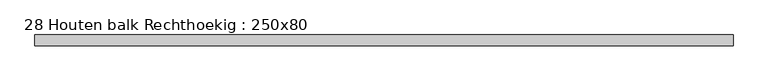
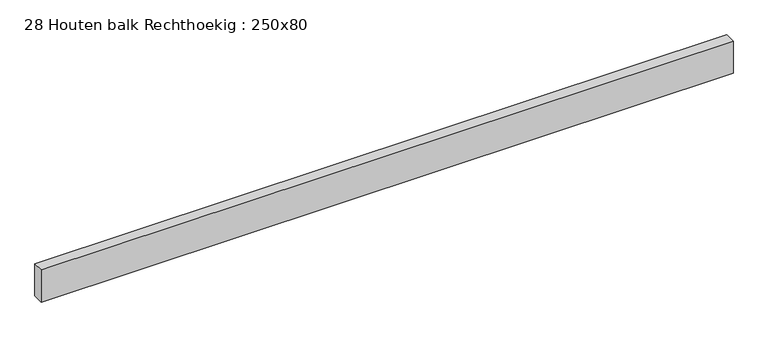
"""IFC4 building model written with IfcOpenShell, lengths in millimetres: beam geometry, 28 Houten balk Rechthoekig : 250x80."""

import ifcopenshell
import ifcopenshell.guid

model = None  # the IFC model being written
_history = None  # IfcOwnerHistory: only IFC2X3 demands one
_inside = {}  # id of a spatial element -> (the spatial element, [elements in it])
_under = {}  # id of a project, library or spatial element -> (it, [spatial elements below it])
_declared = {}  # id of a project -> (the project, [libraries it declares])
_typed = {}  # id of a type object -> (the type object, [elements of that type])
_made_of = {}  # id of a material, layer set ... -> (it, [elements and type objects made of it])


def new_model(schema):
    """Start an empty IFC model of exactly this schema.

    Asked for "IFC4X3", IfcOpenShell would pick the latest addendum, in which some entities
    have other attributes; the version numbers below select the first issue.
    IFC2X3 requires an IfcOwnerHistory on every rooted entity: one is made here for all.
    """
    global model, _history
    if schema == "IFC4X3":
        model = ifcopenshell.file(schema_version=(4, 3, 0, 0))
    else:
        model = ifcopenshell.file(schema=schema)
    _inside.clear()
    _under.clear()
    _declared.clear()
    _typed.clear()
    _made_of.clear()
    _history = None
    if model.schema == "IFC2X3":
        org = make("IfcOrganization", Name="unknown")
        user = make(
            "IfcPersonAndOrganization",
            ThePerson=make("IfcPerson", FamilyName="unknown"),
            TheOrganization=org,
        )
        app = make(
            "IfcApplication",
            ApplicationDeveloper=org,
            Version="unknown",
            ApplicationFullName="unknown",
            ApplicationIdentifier="unknown",
        )
        _history = make(
            "IfcOwnerHistory",
            OwningUser=user,
            OwningApplication=app,
            ChangeAction="ADDED",
            CreationDate=0,
        )
    return model


def make(cls, **values):
    """One entity of the class cls with the attributes given. An attribute that is None is left unset."""
    return model.create_entity(
        cls, **{name: value for name, value in values.items() if value is not None}
    )


def rooted(cls, **values):
    """An entity with a GlobalId (a new one), such as an element, a storey or a relation."""
    return make(cls, GlobalId=ifcopenshell.guid.new(), OwnerHistory=_history, **values)


def si_unit(unit_type, name, prefix=None):
    """IfcSIUnit, for example si_unit("LENGTHUNIT", "METRE", prefix="MILLI")."""
    return make("IfcSIUnit", UnitType=unit_type, Prefix=prefix, Name=name)


def assignment(units):
    """IfcUnitAssignment: the units of a project."""
    return None if units is None else make("IfcUnitAssignment", Units=units)


def point(xyz):
    """IfcCartesianPoint."""
    return None if xyz is None else make("IfcCartesianPoint", Coordinates=xyz)


def direction(xyz):
    """IfcDirection."""
    return None if xyz is None else make("IfcDirection", DirectionRatios=xyz)


def frame(location, z_axis=None, x_axis=None):
    """IfcAxis2Placement3D, a coordinate frame: its origin and axes. An axis left out is left unset."""
    return make(
        "IfcAxis2Placement3D",
        Location=point(location),
        Axis=direction(z_axis),
        RefDirection=direction(x_axis),
    )


def origin():
    """The frame at (0, 0, 0) with its axes left unset."""
    return frame((0.0, 0.0, 0.0))


def place(relative_to, where):
    """IfcLocalPlacement: puts the frame where relative to a parent placement (None: the world)."""
    return make(
        "IfcLocalPlacement", PlacementRelTo=relative_to, RelativePlacement=where
    )


def context(
    kind, dimensions, precision=None, world=None, true_north=None, identifier=None
):
    """IfcGeometricRepresentationContext, for example the 3D "Model" context."""
    return make(
        "IfcGeometricRepresentationContext",
        ContextIdentifier=identifier,
        ContextType=kind,
        CoordinateSpaceDimension=dimensions,
        Precision=precision,
        WorldCoordinateSystem=world,
        TrueNorth=true_north,
    )


def project(units=None, contexts=None):
    """IfcProject with its units and contexts."""
    return rooted(
        "IfcProject",
        Name="project",
        RepresentationContexts=contexts,
        UnitsInContext=assignment(units),
    )


def spatial(cls, under=None, at=None, **own):
    """A site, building, storey or space (cls), placed at a placement, below another one or the project."""
    s = rooted(cls, ObjectPlacement=at, **own)
    if under is not None:
        _under.setdefault(under.id(), (under, []))[1].append(s)
    return s


def polyline(points):
    """IfcPolyline through the points."""
    return make("IfcPolyline", Points=[point(p) for p in points])


def outline(outer, holes=None, kind="AREA"):
    """IfcArbitraryClosedProfileDef: a profile drawn as a closed curve; with holes, ...WithVoids."""
    if holes is None:
        return make("IfcArbitraryClosedProfileDef", ProfileType=kind, OuterCurve=outer)
    return make(
        "IfcArbitraryProfileDefWithVoids",
        ProfileType=kind,
        OuterCurve=outer,
        InnerCurves=holes,
    )


def extrude(swept, where, along, depth):
    """IfcExtrudedAreaSolid: the profile swept, set in the frame where, extruded along a direction by depth."""
    return make(
        "IfcExtrudedAreaSolid",
        SweptArea=swept,
        Position=where,
        ExtrudedDirection=direction(along),
        Depth=depth,
    )


def shape(context_of_items, identifier, shape_type, items):
    """IfcShapeRepresentation: the items that make up one representation, for example the "Body"."""
    return make(
        "IfcShapeRepresentation",
        ContextOfItems=context_of_items,
        RepresentationIdentifier=identifier,
        RepresentationType=shape_type,
        Items=items,
    )


def source(mapping_origin, context_of_items, identifier, shape_type, items):
    """IfcRepresentationMap: a shape defined once, which mapped items show again and again."""
    return make(
        "IfcRepresentationMap",
        MappingOrigin=mapping_origin,
        MappedRepresentation=shape(context_of_items, identifier, shape_type, items),
    )


def transform(
    local_origin,
    x_axis=None,
    y_axis=None,
    z_axis=None,
    scale=None,
    scale2=None,
    scale3=None,
    uniform=True,
):
    """IfcCartesianTransformationOperator3D, or its non-uniform kind. x_axis, y_axis, z_axis: its Axis1, 2, 3."""
    if uniform:
        return make(
            "IfcCartesianTransformationOperator3D",
            Axis1=direction(x_axis),
            Axis2=direction(y_axis),
            LocalOrigin=point(local_origin),
            Scale=scale,
            Axis3=direction(z_axis),
        )
    return make(
        "IfcCartesianTransformationOperator3DnonUniform",
        Axis1=direction(x_axis),
        Axis2=direction(y_axis),
        LocalOrigin=point(local_origin),
        Scale=scale,
        Axis3=direction(z_axis),
        Scale2=scale2,
        Scale3=scale3,
    )


def mapped(mapping_source, mapping_target):
    """IfcMappedItem: shows the shape of a source again, moved by a transform."""
    return make(
        "IfcMappedItem", MappingSource=mapping_source, MappingTarget=mapping_target
    )


def made_of(thing, what):
    """Note that an element or type object is made of a material, layer set ...; save() writes the relation."""
    if what is not None:
        _made_of.setdefault(what.id(), (what, []))[1].append(thing)
    return thing


def element(
    cls,
    number,
    at=None,
    inside=None,
    cuts=None,
    type_object=None,
    material=None,
    context=None,
    identifier="Body",
    shape_type=None,
    held_by="IfcProductDefinitionShape",
    body=None,
    shapes=None,
    **own,
):
    """One element of the class cls, such as IfcWall. Its Tag is "e" and its number.

    at: its placement. inside: the storey or other place that contains it. cuts: it is an
    opening in that element (IfcRelVoidsElement). A single representation is given by context,
    identifier, shape_type and body (its items); several are given by shapes. held_by: the class
    of the entity that holds the representations. save() writes the other relations.
    """
    e = rooted(cls, Tag="e%d" % number, ObjectPlacement=at, **own)
    if body is not None:
        shapes = [shape(context, identifier, shape_type, body)]
    if shapes is not None:
        e.Representation = make(held_by, Representations=shapes)
    if inside is not None:
        _inside.setdefault(inside.id(), (inside, []))[1].append(e)
    if cuts is not None:
        rooted(
            "IfcRelVoidsElement", RelatingBuildingElement=cuts, RelatedOpeningElement=e
        )
    if type_object is not None:
        _typed.setdefault(type_object.id(), (type_object, []))[1].append(e)
    return made_of(e, material)


def aggregate(whole, parts):
    """IfcRelAggregates: a whole, such as a stair, and the parts it consists of."""
    return rooted("IfcRelAggregates", RelatingObject=whole, RelatedObjects=parts)


def save(model, path):
    """Write the relations noted so far, then the file.

    IfcRelAggregates (storeys below a building ...), IfcRelContainedInSpatialStructure (elements
    in a storey), IfcRelDefinesByType, IfcRelAssociatesMaterial and IfcRelDeclares: one each for
    every whole, place, type object, material and project.
    """
    for whole, parts in _under.values():
        aggregate(whole, parts)
    for where, things in _inside.values():
        rooted(
            "IfcRelContainedInSpatialStructure",
            RelatedElements=things,
            RelatingStructure=where,
        )
    for kind, things in _typed.values():
        rooted("IfcRelDefinesByType", RelatedObjects=things, RelatingType=kind)
    for what, things in _made_of.values():
        rooted("IfcRelAssociatesMaterial", RelatedObjects=things, RelatingMaterial=what)
    for by, libraries in _declared.values():
        rooted("IfcRelDeclares", RelatingContext=by, RelatedDefinitions=libraries)
    model.write(path)


def beam_28_houten_balk_rechthoekig_250x80_5d31ba4a(model_context):
    return source(origin(), model_context, "Body", "SweptSolid", [
        extrude(outline(polyline([(3061.686198, 40.0), (3061.686198, -40.0), (-2008.2916692, -40.0), (-2008.2916692, 40.0), (3061.686198, 40.0)])), frame((0.0, 0.0, -125.0), z_axis=(0.0, 0.0, 1.0), x_axis=(1.0, 0.0, 0.0)), (0.0, 0.0, 1.0), 250.0),
    ])


if __name__ == "__main__":
    model = new_model("IFC4")
    model_context = context("Model", 3, world=origin())
    ifc_project = project(units=[si_unit("LENGTHUNIT", "METRE", prefix="MILLI")], contexts=[model_context])
    site = spatial("IfcSite", under=ifc_project)
    building = spatial("IfcBuilding", under=site)
    placement = place(None, origin())
    beam_28_houten_balk_rechthoekig_250x80_shape = beam_28_houten_balk_rechthoekig_250x80_5d31ba4a(model_context)
    element("IfcBeam", 1, ObjectType="28 Houten balk Rechthoekig : 250x80", at=placement, inside=building, context=model_context, shape_type="MappedRepresentation", body=[
        mapped(beam_28_houten_balk_rechthoekig_250x80_shape, transform((0.0, 0.0, 0.0), x_axis=(1.0, 0.0, 0.0), y_axis=(0.0, 1.0, 0.0), z_axis=(0.0, 0.0, 1.0))),
    ])
    save(model, "model.ifc")
